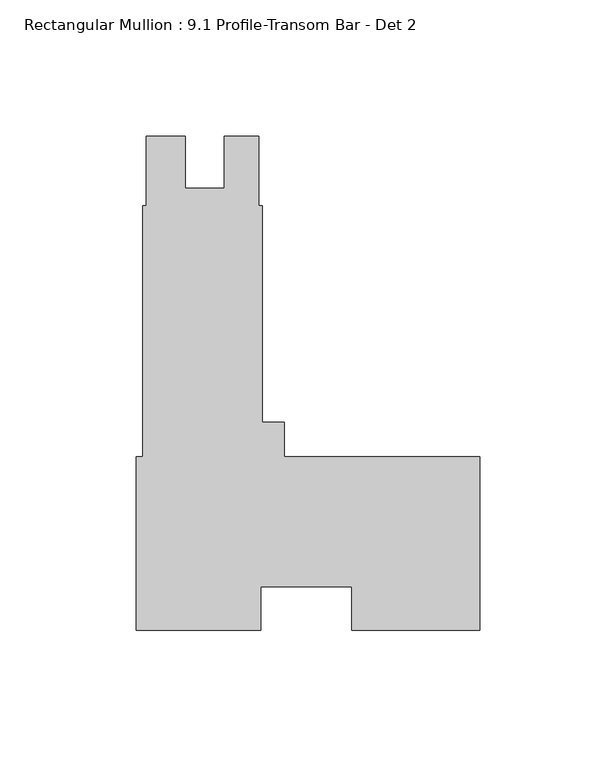
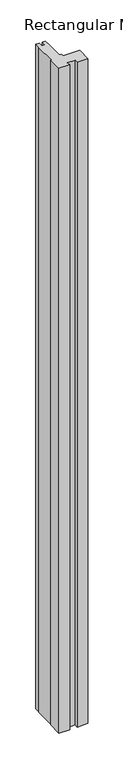
"""IFC4 building model written with IfcOpenShell, lengths in millimetres: member geometry, Rectangular Mullion : 9.1 Profile-Transom Bar - Det 2."""

from ifc_helpers import new_model, si_unit, frame, origin, place, context, project, spatial, polyline, outline, extrude, source, transform, mapped, element, save


def rectangular_mullion_9_1_profile_transom_bar_det_2_0ca78ba6(model_context):
    return source(origin(), model_context, "Body", "SweptSolid", [
        extrude(outline(polyline([(0.0, -48.41875), (-46.8503, -48.41875), (-46.8503, -32.5312262), (-80.2091346, -32.5312262), (-80.2091346, -48.41875), (-125.7808, -48.41875), (-125.7808, 15.08125), (-123.39955, 15.08125), (-123.39955, 107.15625), (-122.1422337, 107.15625), (-122.1422337, 132.55625), (-107.88015, 132.55625), (-107.88015, 113.51895), (-93.59265, 113.51895), (-93.59265, 132.55625), (-80.87995, 132.55625), (-80.87995, 107.15625), (-79.60995, 107.15625), (-79.60995, 27.78125), (-71.6026, 27.78125), (-71.6026, 15.08125), (0.0, 15.08125), (0.0, -48.41875)])), frame((0.0, 0.0, -3048.0), z_axis=(0.0, 0.0, 1.0), x_axis=(1.0, 0.0, 0.0)), (0.0, 0.0, 1.0), 3048.0),
    ])


if __name__ == "__main__":
    model = new_model("IFC4")
    model_context = context("Model", 3, world=origin())
    ifc_project = project(units=[si_unit("LENGTHUNIT", "METRE", prefix="MILLI")], contexts=[model_context])
    site = spatial("IfcSite", under=ifc_project)
    building = spatial("IfcBuilding", under=site)
    placement = place(None, origin())
    rectangular_mullion_9_1_profile_transom_bar_det_2_shape = rectangular_mullion_9_1_profile_transom_bar_det_2_0ca78ba6(model_context)
    element("IfcMember", 1, ObjectType="Rectangular Mullion : 9.1 Profile-Transom Bar - Det 2", at=placement, inside=building, context=model_context, shape_type="MappedRepresentation", body=[
        mapped(rectangular_mullion_9_1_profile_transom_bar_det_2_shape, transform((0.0, 0.0, 0.0), x_axis=(1.0, 0.0, 0.0), y_axis=(0.0, 1.0, 0.0), z_axis=(0.0, 0.0, 1.0))),
    ])
    save(model, "model.ifc")
